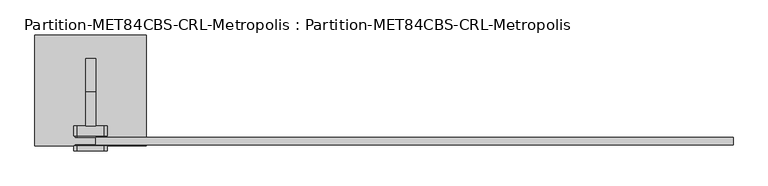
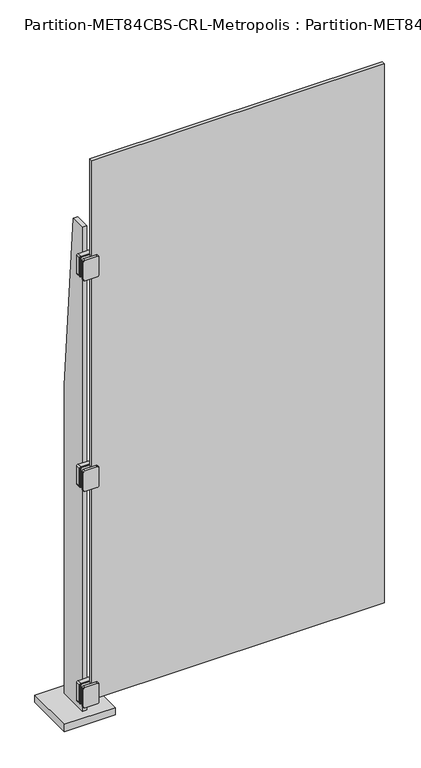
"""IFC4 building model written with IfcOpenShell, lengths in millimetres: plate geometry, Partition-MET84CBS-CRL-Metropolis : Partition-MET84CBS-CRL-Metropolis."""

from ifc_helpers import new_model, si_unit, point, frame, frame_2d, origin, origin_with_axes, place, context, project, spatial, polyline, circle_curve, trimmed, segment, composite_curve, outline, extrude, source, transform, mapped, element, save


def partition_met84cbs_crl_metropolis_partition_met84cbs_crl_9ae477f4(model_context):
    return source(origin(), model_context, "Body", "SweptSolid", [
        extrude(outline(composite_curve([segment(polyline([(168.275, -596.9), (168.275, -635.0)]), True, "CONTINUOUS"), segment(trimmed(circle_curve(frame_2d((165.1, -635.0)), 3.175), [point((168.275, -635.0))], [point((165.1, -638.175))], False, "CARTESIAN"), True, "CONTINUOUS"), segment(polyline([(165.1, -638.175), (88.9, -638.175)]), True, "CONTINUOUS"), segment(trimmed(circle_curve(frame_2d((88.9, -635.0)), 3.175), [point((88.9, -638.175))], [point((85.725, -635.0))], False, "CARTESIAN"), True, "CONTINUOUS"), segment(polyline([(85.725, -635.0), (85.725, -596.9), (85.725, -584.2)]), True, "CONTINUOUS"), segment(trimmed(circle_curve(frame_2d((88.9, -584.2)), 3.175), [point((85.725, -584.2))], [point((88.9, -581.025))], False, "CARTESIAN"), True, "CONTINUOUS"), segment(polyline([(88.9, -581.025), (165.1, -581.025)]), True, "CONTINUOUS"), segment(trimmed(circle_curve(frame_2d((165.1, -584.2)), 3.175), [point((165.1, -581.025))], [point((168.275, -584.2))], False, "CARTESIAN"), True, "CONTINUOUS"), segment(polyline([(168.275, -584.2), (168.275, -596.9)]), True, "CONTINUOUS")], self_intersect=False)), frame((0.0, -114.3, 0.0), z_axis=(0.0, 1.0, 0.0), x_axis=(0.0, 0.0, 1.0)), (0.0, 0.0, 1.0), 1.5875),
        extrude(outline(composite_curve([segment(polyline([(168.275, -596.9), (168.275, -635.0)]), True, "CONTINUOUS"), segment(trimmed(circle_curve(frame_2d((165.1, -635.0)), 3.175), [point((168.275, -635.0))], [point((165.1, -638.175))], False, "CARTESIAN"), True, "CONTINUOUS"), segment(polyline([(165.1, -638.175), (88.9, -638.175)]), True, "CONTINUOUS"), segment(trimmed(circle_curve(frame_2d((88.9, -635.0)), 3.175), [point((88.9, -638.175))], [point((85.725, -635.0))], False, "CARTESIAN"), True, "CONTINUOUS"), segment(polyline([(85.725, -635.0), (85.725, -596.9), (85.725, -584.2)]), True, "CONTINUOUS"), segment(trimmed(circle_curve(frame_2d((88.9, -584.2)), 3.175), [point((85.725, -584.2))], [point((88.9, -581.025))], False, "CARTESIAN"), True, "CONTINUOUS"), segment(polyline([(88.9, -581.025), (165.1, -581.025)]), True, "CONTINUOUS"), segment(trimmed(circle_curve(frame_2d((165.1, -584.2)), 3.175), [point((165.1, -581.025))], [point((168.275, -584.2))], False, "CARTESIAN"), True, "CONTINUOUS"), segment(polyline([(168.275, -584.2), (168.275, -596.9)]), True, "CONTINUOUS")], self_intersect=False)), frame((0.0, -98.425, 0.0), z_axis=(0.0, 1.0, 0.0), x_axis=(0.0, 0.0, 1.0)), (0.0, 0.0, 1.0), 3.175),
        extrude(outline(composite_curve([segment(polyline([(165.1, -641.35), (88.9, -641.35)]), True, "CONTINUOUS"), segment(trimmed(circle_curve(frame_2d((88.9, -635.0)), 6.35), [point((88.9, -641.35))], [point((82.55, -635.0))], False, "CARTESIAN"), True, "CONTINUOUS"), segment(polyline([(82.55, -635.0), (82.55, -584.2)]), True, "CONTINUOUS"), segment(trimmed(circle_curve(frame_2d((88.9, -584.2)), 6.35), [point((82.55, -584.2))], [point((88.9, -577.85))], False, "CARTESIAN"), True, "CONTINUOUS"), segment(polyline([(88.9, -577.85), (165.1, -577.85)]), True, "CONTINUOUS"), segment(trimmed(circle_curve(frame_2d((165.1, -584.2)), 6.35), [point((165.1, -577.85))], [point((171.45, -584.2))], False, "CARTESIAN"), True, "CONTINUOUS"), segment(polyline([(171.45, -584.2), (171.45, -635.0)]), True, "CONTINUOUS"), segment(trimmed(circle_curve(frame_2d((165.1, -635.0)), 6.35), [point((171.45, -635.0))], [point((165.1, -641.35))], False, "CARTESIAN"), True, "CONTINUOUS")], self_intersect=False)), frame((0.0, -123.825, 0.0), z_axis=(0.0, 1.0, 0.0), x_axis=(0.0, 0.0, 1.0)), (0.0, 0.0, 1.0), 9.525),
        extrude(outline(composite_curve([segment(polyline([(165.1, -641.35), (88.9, -641.35)]), True, "CONTINUOUS"), segment(trimmed(circle_curve(frame_2d((88.9, -635.0)), 6.35), [point((88.9, -641.35))], [point((82.55, -635.0))], False, "CARTESIAN"), True, "CONTINUOUS"), segment(polyline([(82.55, -635.0), (82.55, -584.2)]), True, "CONTINUOUS"), segment(trimmed(circle_curve(frame_2d((88.9, -584.2)), 6.35), [point((82.55, -584.2))], [point((88.9, -577.85))], False, "CARTESIAN"), True, "CONTINUOUS"), segment(polyline([(88.9, -577.85), (165.1, -577.85)]), True, "CONTINUOUS"), segment(trimmed(circle_curve(frame_2d((165.1, -584.2)), 6.35), [point((165.1, -577.85))], [point((171.45, -584.2))], False, "CARTESIAN"), True, "CONTINUOUS"), segment(polyline([(171.45, -584.2), (171.45, -635.0)]), True, "CONTINUOUS"), segment(trimmed(circle_curve(frame_2d((165.1, -635.0)), 6.35), [point((171.45, -635.0))], [point((165.1, -641.35))], False, "CARTESIAN"), True, "CONTINUOUS")], self_intersect=False)), frame((0.0, -95.25, 0.0), z_axis=(0.0, 1.0, 0.0), x_axis=(0.0, 0.0, 1.0)), (0.0, 0.0, 1.0), 19.05),
        extrude(outline(composite_curve([segment(polyline([(2022.475, -596.9), (2022.475, -635.0)]), True, "CONTINUOUS"), segment(trimmed(circle_curve(frame_2d((2019.3, -635.0)), 3.175), [point((2022.475, -635.0))], [point((2019.3, -638.175))], False, "CARTESIAN"), True, "CONTINUOUS"), segment(polyline([(2019.3, -638.175), (1943.1, -638.175)]), True, "CONTINUOUS"), segment(trimmed(circle_curve(frame_2d((1943.1, -635.0)), 3.175), [point((1943.1, -638.175))], [point((1939.925, -635.0))], False, "CARTESIAN"), True, "CONTINUOUS"), segment(polyline([(1939.925, -635.0), (1939.925, -596.9), (1939.925, -584.2)]), True, "CONTINUOUS"), segment(trimmed(circle_curve(frame_2d((1943.1, -584.2)), 3.175), [point((1939.925, -584.2))], [point((1943.1, -581.025))], False, "CARTESIAN"), True, "CONTINUOUS"), segment(polyline([(1943.1, -581.025), (2019.3, -581.025)]), True, "CONTINUOUS"), segment(trimmed(circle_curve(frame_2d((2019.3, -584.2)), 3.175), [point((2019.3, -581.025))], [point((2022.475, -584.2))], False, "CARTESIAN"), True, "CONTINUOUS"), segment(polyline([(2022.475, -584.2), (2022.475, -596.9)]), True, "CONTINUOUS")], self_intersect=False)), frame((0.0, -114.3, 0.0), z_axis=(0.0, 1.0, 0.0), x_axis=(0.0, 0.0, 1.0)), (0.0, 0.0, 1.0), 1.5875),
        extrude(outline(composite_curve([segment(polyline([(2022.475, -596.9), (2022.475, -635.0)]), True, "CONTINUOUS"), segment(trimmed(circle_curve(frame_2d((2019.3, -635.0)), 3.175), [point((2022.475, -635.0))], [point((2019.3, -638.175))], False, "CARTESIAN"), True, "CONTINUOUS"), segment(polyline([(2019.3, -638.175), (1943.1, -638.175)]), True, "CONTINUOUS"), segment(trimmed(circle_curve(frame_2d((1943.1, -635.0)), 3.175), [point((1943.1, -638.175))], [point((1939.925, -635.0))], False, "CARTESIAN"), True, "CONTINUOUS"), segment(polyline([(1939.925, -635.0), (1939.925, -596.9), (1939.925, -584.2)]), True, "CONTINUOUS"), segment(trimmed(circle_curve(frame_2d((1943.1, -584.2)), 3.175), [point((1939.925, -584.2))], [point((1943.1, -581.025))], False, "CARTESIAN"), True, "CONTINUOUS"), segment(polyline([(1943.1, -581.025), (2019.3, -581.025)]), True, "CONTINUOUS"), segment(trimmed(circle_curve(frame_2d((2019.3, -584.2)), 3.175), [point((2019.3, -581.025))], [point((2022.475, -584.2))], False, "CARTESIAN"), True, "CONTINUOUS"), segment(polyline([(2022.475, -584.2), (2022.475, -596.9)]), True, "CONTINUOUS")], self_intersect=False)), frame((0.0, -98.425, 0.0), z_axis=(0.0, 1.0, 0.0), x_axis=(0.0, 0.0, 1.0)), (0.0, 0.0, 1.0), 3.175),
        extrude(outline(composite_curve([segment(polyline([(2019.3, -641.35), (1943.1, -641.35)]), True, "CONTINUOUS"), segment(trimmed(circle_curve(frame_2d((1943.1, -635.0)), 6.35), [point((1943.1, -641.35))], [point((1936.75, -635.0))], False, "CARTESIAN"), True, "CONTINUOUS"), segment(polyline([(1936.75, -635.0), (1936.75, -584.2)]), True, "CONTINUOUS"), segment(trimmed(circle_curve(frame_2d((1943.1, -584.2)), 6.35), [point((1936.75, -584.2))], [point((1943.1, -577.85))], False, "CARTESIAN"), True, "CONTINUOUS"), segment(polyline([(1943.1, -577.85), (2019.3, -577.85)]), True, "CONTINUOUS"), segment(trimmed(circle_curve(frame_2d((2019.3, -584.2)), 6.35), [point((2019.3, -577.85))], [point((2025.65, -584.2))], False, "CARTESIAN"), True, "CONTINUOUS"), segment(polyline([(2025.65, -584.2), (2025.65, -635.0)]), True, "CONTINUOUS"), segment(trimmed(circle_curve(frame_2d((2019.3, -635.0)), 6.35), [point((2025.65, -635.0))], [point((2019.3, -641.35))], False, "CARTESIAN"), True, "CONTINUOUS")], self_intersect=False)), frame((0.0, -123.825, 0.0), z_axis=(0.0, 1.0, 0.0), x_axis=(0.0, 0.0, 1.0)), (0.0, 0.0, 1.0), 9.525),
        extrude(outline(composite_curve([segment(polyline([(2019.3, -641.35), (1943.1, -641.35)]), True, "CONTINUOUS"), segment(trimmed(circle_curve(frame_2d((1943.1, -635.0)), 6.35), [point((1943.1, -641.35))], [point((1936.75, -635.0))], False, "CARTESIAN"), True, "CONTINUOUS"), segment(polyline([(1936.75, -635.0), (1936.75, -584.2)]), True, "CONTINUOUS"), segment(trimmed(circle_curve(frame_2d((1943.1, -584.2)), 6.35), [point((1936.75, -584.2))], [point((1943.1, -577.85))], False, "CARTESIAN"), True, "CONTINUOUS"), segment(polyline([(1943.1, -577.85), (2019.3, -577.85)]), True, "CONTINUOUS"), segment(trimmed(circle_curve(frame_2d((2019.3, -584.2)), 6.35), [point((2019.3, -577.85))], [point((2025.65, -584.2))], False, "CARTESIAN"), True, "CONTINUOUS"), segment(polyline([(2025.65, -584.2), (2025.65, -635.0)]), True, "CONTINUOUS"), segment(trimmed(circle_curve(frame_2d((2019.3, -635.0)), 6.35), [point((2025.65, -635.0))], [point((2019.3, -641.35))], False, "CARTESIAN"), True, "CONTINUOUS")], self_intersect=False)), frame((0.0, -95.25, 0.0), z_axis=(0.0, 1.0, 0.0), x_axis=(0.0, 0.0, 1.0)), (0.0, 0.0, 1.0), 19.05),
        extrude(outline(composite_curve([segment(polyline([(1108.075, -596.9), (1108.075, -635.0)]), True, "CONTINUOUS"), segment(trimmed(circle_curve(frame_2d((1104.9, -635.0)), 3.175), [point((1108.075, -635.0))], [point((1104.9, -638.175))], False, "CARTESIAN"), True, "CONTINUOUS"), segment(polyline([(1104.9, -638.175), (1028.7, -638.175)]), True, "CONTINUOUS"), segment(trimmed(circle_curve(frame_2d((1028.7, -635.0)), 3.175), [point((1028.7, -638.175))], [point((1025.525, -635.0))], False, "CARTESIAN"), True, "CONTINUOUS"), segment(polyline([(1025.525, -635.0), (1025.525, -596.9), (1025.525, -584.2)]), True, "CONTINUOUS"), segment(trimmed(circle_curve(frame_2d((1028.7, -584.2)), 3.175), [point((1025.525, -584.2))], [point((1028.7, -581.025))], False, "CARTESIAN"), True, "CONTINUOUS"), segment(polyline([(1028.7, -581.025), (1104.9, -581.025)]), True, "CONTINUOUS"), segment(trimmed(circle_curve(frame_2d((1104.9, -584.2)), 3.175), [point((1104.9, -581.025))], [point((1108.075, -584.2))], False, "CARTESIAN"), True, "CONTINUOUS"), segment(polyline([(1108.075, -584.2), (1108.075, -596.9)]), True, "CONTINUOUS")], self_intersect=False)), frame((0.0, -114.3, 0.0), z_axis=(0.0, 1.0, 0.0), x_axis=(0.0, 0.0, 1.0)), (0.0, 0.0, 1.0), 1.5875),
        extrude(outline(composite_curve([segment(polyline([(1108.075, -596.9), (1108.075, -635.0)]), True, "CONTINUOUS"), segment(trimmed(circle_curve(frame_2d((1104.9, -635.0)), 3.175), [point((1108.075, -635.0))], [point((1104.9, -638.175))], False, "CARTESIAN"), True, "CONTINUOUS"), segment(polyline([(1104.9, -638.175), (1028.7, -638.175)]), True, "CONTINUOUS"), segment(trimmed(circle_curve(frame_2d((1028.7, -635.0)), 3.175), [point((1028.7, -638.175))], [point((1025.525, -635.0))], False, "CARTESIAN"), True, "CONTINUOUS"), segment(polyline([(1025.525, -635.0), (1025.525, -596.9), (1025.525, -584.2)]), True, "CONTINUOUS"), segment(trimmed(circle_curve(frame_2d((1028.7, -584.2)), 3.175), [point((1025.525, -584.2))], [point((1028.7, -581.025))], False, "CARTESIAN"), True, "CONTINUOUS"), segment(polyline([(1028.7, -581.025), (1104.9, -581.025)]), True, "CONTINUOUS"), segment(trimmed(circle_curve(frame_2d((1104.9, -584.2)), 3.175), [point((1104.9, -581.025))], [point((1108.075, -584.2))], False, "CARTESIAN"), True, "CONTINUOUS"), segment(polyline([(1108.075, -584.2), (1108.075, -596.9)]), True, "CONTINUOUS")], self_intersect=False)), frame((0.0, -98.425, 0.0), z_axis=(0.0, 1.0, 0.0), x_axis=(0.0, 0.0, 1.0)), (0.0, 0.0, 1.0), 3.175),
        extrude(outline(composite_curve([segment(polyline([(1104.9, -641.35), (1028.7, -641.35)]), True, "CONTINUOUS"), segment(trimmed(circle_curve(frame_2d((1028.7, -635.0)), 6.35), [point((1028.7, -641.35))], [point((1022.35, -635.0))], False, "CARTESIAN"), True, "CONTINUOUS"), segment(polyline([(1022.35, -635.0), (1022.35, -584.2)]), True, "CONTINUOUS"), segment(trimmed(circle_curve(frame_2d((1028.7, -584.2)), 6.35), [point((1022.35, -584.2))], [point((1028.7, -577.85))], False, "CARTESIAN"), True, "CONTINUOUS"), segment(polyline([(1028.7, -577.85), (1104.9, -577.85)]), True, "CONTINUOUS"), segment(trimmed(circle_curve(frame_2d((1104.9, -584.2)), 6.35), [point((1104.9, -577.85))], [point((1111.25, -584.2))], False, "CARTESIAN"), True, "CONTINUOUS"), segment(polyline([(1111.25, -584.2), (1111.25, -635.0)]), True, "CONTINUOUS"), segment(trimmed(circle_curve(frame_2d((1104.9, -635.0)), 6.35), [point((1111.25, -635.0))], [point((1104.9, -641.35))], False, "CARTESIAN"), True, "CONTINUOUS")], self_intersect=False)), frame((0.0, -123.825, 0.0), z_axis=(0.0, 1.0, 0.0), x_axis=(0.0, 0.0, 1.0)), (0.0, 0.0, 1.0), 9.525),
        extrude(outline(composite_curve([segment(polyline([(1104.9, -641.35), (1028.7, -641.35)]), True, "CONTINUOUS"), segment(trimmed(circle_curve(frame_2d((1028.7, -635.0)), 6.35), [point((1028.7, -641.35))], [point((1022.35, -635.0))], False, "CARTESIAN"), True, "CONTINUOUS"), segment(polyline([(1022.35, -635.0), (1022.35, -584.2)]), True, "CONTINUOUS"), segment(trimmed(circle_curve(frame_2d((1028.7, -584.2)), 6.35), [point((1022.35, -584.2))], [point((1028.7, -577.85))], False, "CARTESIAN"), True, "CONTINUOUS"), segment(polyline([(1028.7, -577.85), (1104.9, -577.85)]), True, "CONTINUOUS"), segment(trimmed(circle_curve(frame_2d((1104.9, -584.2)), 6.35), [point((1104.9, -577.85))], [point((1111.25, -584.2))], False, "CARTESIAN"), True, "CONTINUOUS"), segment(polyline([(1111.25, -584.2), (1111.25, -635.0)]), True, "CONTINUOUS"), segment(trimmed(circle_curve(frame_2d((1104.9, -635.0)), 6.35), [point((1111.25, -635.0))], [point((1104.9, -641.35))], False, "CARTESIAN"), True, "CONTINUOUS")], self_intersect=False)), frame((0.0, -95.25, 0.0), z_axis=(0.0, 1.0, 0.0), x_axis=(0.0, 0.0, 1.0)), (0.0, 0.0, 1.0), 19.05),
        extrude(outline(polyline([(50.8, 1371.6), (50.8, 0.0), (-76.2, 0.0), (-76.2, 2133.6), (-12.7, 2133.6), (50.8, 1371.6)])), frame((-619.125, 0.0, 0.0), z_axis=(1.0, 0.0, 0.0), x_axis=(0.0, 1.0, 0.0)), (0.0, 0.0, 1.0), 19.05),
        extrude(outline(polyline([(-504.825, 95.25), (-504.825, -114.3), (-714.375, -114.3), (-714.375, 95.25), (-504.825, 95.25)])), origin_with_axes(), (0.0, 0.0, 1.0), 31.75),
        extrude(outline(polyline([(600.075, -98.425), (600.075, -112.7125), (-600.075, -112.7125), (-600.075, -98.425), (600.075, -98.425)])), frame((0.0, 0.0, 98.425), z_axis=(0.0, 0.0, 1.0), x_axis=(1.0, 0.0, 0.0)), (0.0, 0.0, 1.0), 2339.975),
    ])


if __name__ == "__main__":
    model = new_model("IFC4")
    model_context = context("Model", 3, world=origin())
    ifc_project = project(units=[si_unit("LENGTHUNIT", "METRE", prefix="MILLI")], contexts=[model_context])
    site = spatial("IfcSite", under=ifc_project)
    building = spatial("IfcBuilding", under=site)
    placement = place(None, origin())
    partition_met84cbs_crl_metropolis_partition_met84cbs_crl_shape = partition_met84cbs_crl_metropolis_partition_met84cbs_crl_9ae477f4(model_context)
    element("IfcPlate", 1, ObjectType="Partition-MET84CBS-CRL-Metropolis : Partition-MET84CBS-CRL-Metropolis", at=placement, inside=building, context=model_context, shape_type="MappedRepresentation", body=[
        mapped(partition_met84cbs_crl_metropolis_partition_met84cbs_crl_shape, transform((0.0, 0.0, 0.0), x_axis=(1.0, 0.0, 0.0), y_axis=(0.0, 1.0, 0.0), z_axis=(0.0, 0.0, 1.0))),
    ])
    save(model, "model.ifc")
